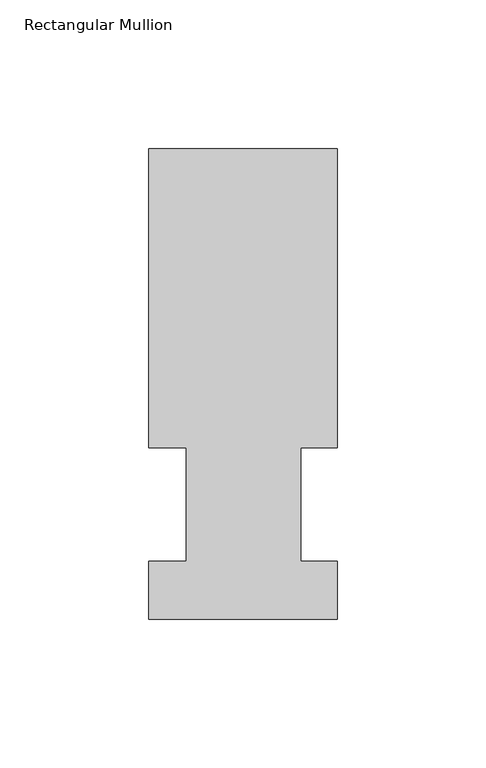
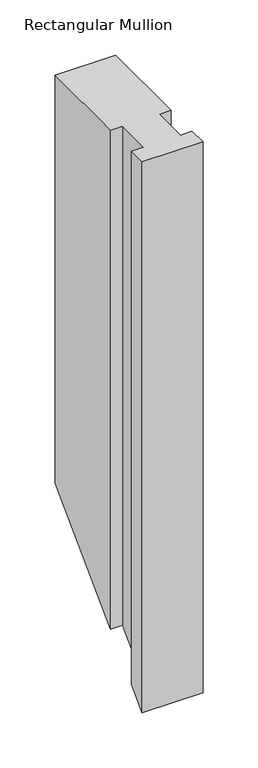
"""IFC4 building model written with IfcOpenShell, lengths in millimetres: member geometry, Rectangular Mullion."""

from ifc_helpers import new_model, si_unit, origin, place, context, project, spatial, faceted_brep, source, transform, mapped, element, save


def rectangular_mullion_6d66083c(model_context):
    return source(origin(), model_context, "Body", "Brep", [
        faceted_brep([(-63.5, 57.6460937, 0.0), (-50.8, 57.6460937, 0.0), (-50.8, 19.5460937, 0.0), (-63.5, 19.5460937, 0.0), (-63.5, 0.0134937, 0.0), (0.0, 0.0134937, 0.0), (0.0, 19.5460937, 0.0), (-12.3418395, 19.5460937, 0.0), (-12.3418395, 57.6460937, 0.0), (0.0, 57.6460937, 0.0), (0.0, 158.3316937, 0.0), (-63.5, 158.3316937, 0.0), (-63.5, 57.6460937, -551.9539063), (-50.8, 57.6460937, -551.9539063), (-50.8, 19.5460937, -590.0539063), (-63.5, 19.5460937, -590.0539063), (-63.5, 0.0134937, -609.5865063), (0.0, 0.0134937, -609.5865063), (0.0, 19.5460937, -590.0539063), (-12.3418395, 19.5460937, -590.0539063), (-12.3418395, 57.6460937, -551.9539063), (0.0, 57.6460938, -551.9539063), (0.0, 158.3316937, -451.2683063), (-63.5, 158.3316937, -451.2683063)], [[[0, 1, 2, 3, 4, 5, 6, 7, 8, 9, 10, 11]], [[1, 0, 12, 13]], [[2, 1, 13, 14]], [[3, 2, 14, 15]], [[4, 3, 15, 16]], [[5, 4, 16, 17]], [[6, 5, 17, 18]], [[7, 6, 18, 19]], [[8, 7, 19, 20]], [[9, 8, 20, 21]], [[10, 9, 21, 22]], [[11, 10, 22, 23]], [[0, 11, 23, 12]], [[12, 23, 22, 21, 20, 19, 18, 17, 16, 15, 14, 13]]]),
    ])


if __name__ == "__main__":
    model = new_model("IFC4")
    model_context = context("Model", 3, world=origin())
    ifc_project = project(units=[si_unit("LENGTHUNIT", "METRE", prefix="MILLI")], contexts=[model_context])
    site = spatial("IfcSite", under=ifc_project)
    building = spatial("IfcBuilding", under=site)
    placement = place(None, origin())
    rectangular_mullion_shape = rectangular_mullion_6d66083c(model_context)
    element("IfcMember", 1, ObjectType="Rectangular Mullion", at=placement, inside=building, context=model_context, shape_type="MappedRepresentation", body=[
        mapped(rectangular_mullion_shape, transform((0.0, 0.0, 0.0), x_axis=(1.0, 0.0, 0.0), y_axis=(0.0, 1.0, 0.0), z_axis=(0.0, 0.0, 1.0))),
    ])
    save(model, "model.ifc")
